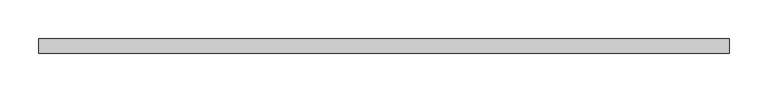
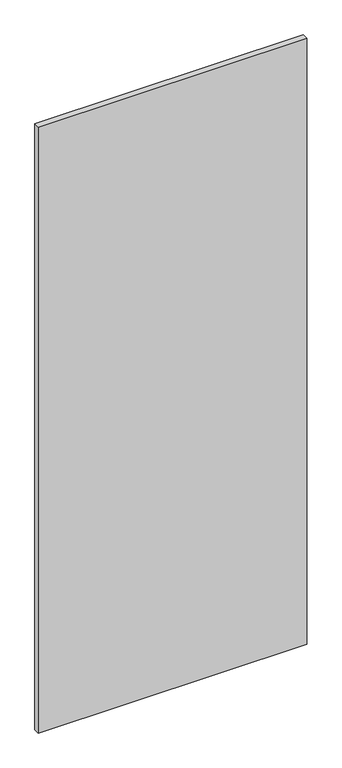
"""IFC4 building model written with IfcOpenShell, lengths in millimetres: proxy geometry."""

from ifc_helpers import new_model, si_unit, frame, origin, place, context, project, spatial, polyline, outline, extrude, source, transform, mapped, element, save


def specialty_equipment_caa0510c(model_context):
    return source(origin(), model_context, "Body", "SweptSolid", [
        extrude(outline(polyline([(445.6142736, 9.525), (445.6142736, -9.525), (-445.6142736, -9.525), (-445.6142736, 9.525), (445.6142736, 9.525)])), frame((0.0, 0.0, 3.175), z_axis=(0.0, 0.0, 1.0), x_axis=(1.0, 0.0, 0.0)), (0.0, 0.0, 1.0), 2127.25),
    ])


if __name__ == "__main__":
    model = new_model("IFC4")
    model_context = context("Model", 3, world=origin())
    ifc_project = project(units=[si_unit("LENGTHUNIT", "METRE", prefix="MILLI")], contexts=[model_context])
    site = spatial("IfcSite", under=ifc_project)
    building = spatial("IfcBuilding", under=site)
    placement = place(None, origin())
    specialty_equipment_shape = specialty_equipment_caa0510c(model_context)
    element("IfcBuildingElementProxy", 1, Name="Specialty Equipment", at=placement, inside=building, context=model_context, shape_type="MappedRepresentation", body=[
        mapped(specialty_equipment_shape, transform((0.0, 0.0, 0.0), x_axis=(1.0, 0.0, 0.0), y_axis=(0.0, 1.0, 0.0), z_axis=(0.0, 0.0, 1.0))),
    ])
    save(model, "model.ifc")
